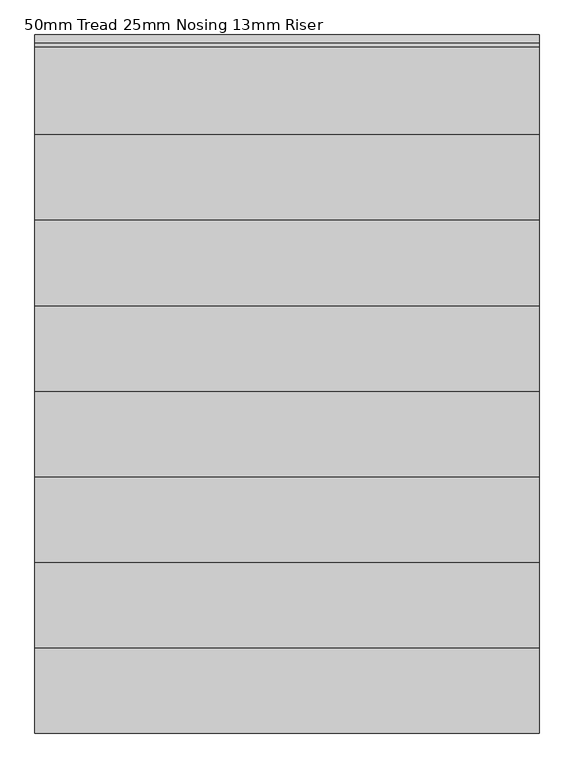
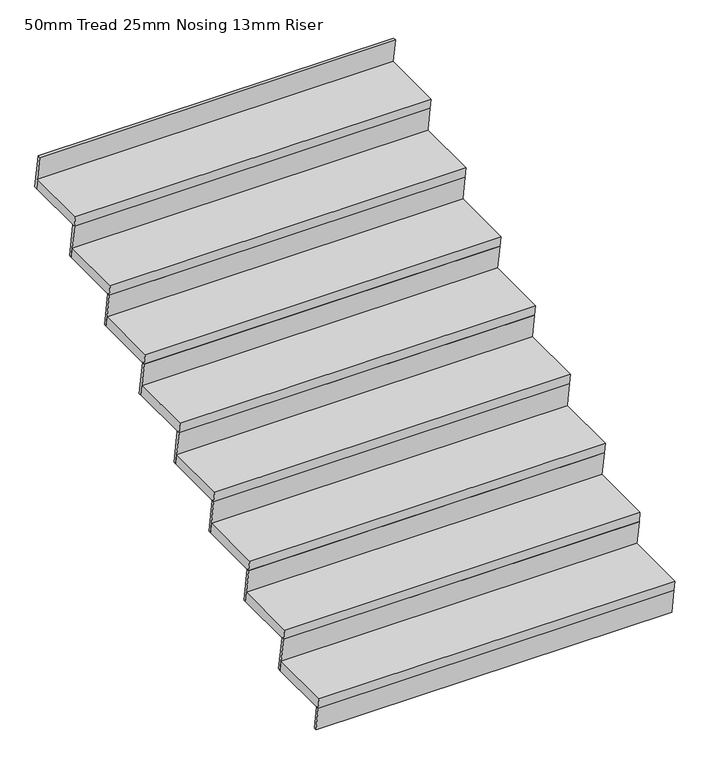
"""IFC4 building model written with IfcOpenShell, lengths in millimetres: stair flight geometry, 50mm Tread 25mm Nosing 13mm Riser."""

from ifc_helpers import new_model, si_unit, frame, origin, place, context, project, spatial, polyline, outline, extrude, source, transform, mapped, element, save


def stair_flight_50mm_tread_25mm_nosing_13mm_riser_9228cee1(model_context):
    return source(origin(), model_context, "Body", "SweptSolid", [
        extrude(outline(polyline([(-85.4291537, 7202.8555841), (214.5708463, 7202.8555841), (222.1532404, 7152.8555841), (-77.8467596, 7152.8555841), (-85.4291537, 7202.8555841)])), frame((-27284.7195293, 0.0, 0.0), z_axis=(1.0, 0.0, 0.0), x_axis=(0.0, 1.0, 0.0)), (0.0, 0.0, 1.0), 1621.3620262),
        extrude(outline(polyline([(-77.8467596, 7152.8555841), (-65.2038448, 7152.8555841), (-47.7862389, 7038.0), (-60.4291537, 7038.0), (-77.8467596, 7152.8555841)])), frame((-27284.7195293, 0.0, 0.0), z_axis=(1.0, 0.0, 0.0), x_axis=(0.0, 1.0, 0.0)), (0.0, 0.0, 1.0), 1621.3620262),
        extrude(outline(polyline([(197.1532404, 7317.7111682), (209.7961552, 7317.7111682), (234.7961552, 7152.8555841), (222.1532404, 7152.8555841), (197.1532404, 7317.7111682)])), frame((-27284.7195293, 0.0, 0.0), z_axis=(1.0, 0.0, 0.0), x_axis=(0.0, 1.0, 0.0)), (0.0, 0.0, 1.0), 1621.3620262),
        extrude(outline(polyline([(189.5708463, 7367.7111682), (489.5708463, 7367.7111682), (497.1532404, 7317.7111682), (197.1532404, 7317.7111682), (189.5708463, 7367.7111682)])), frame((-27284.7195293, 0.0, 0.0), z_axis=(1.0, 0.0, 0.0), x_axis=(0.0, 1.0, 0.0)), (0.0, 0.0, 1.0), 1621.3620262),
        extrude(outline(polyline([(472.1532404, 7482.5667523), (484.7961552, 7482.5667523), (509.7961552, 7317.7111682), (497.1532404, 7317.7111682), (472.1532404, 7482.5667523)])), frame((-27284.7195293, 0.0, 0.0), z_axis=(1.0, 0.0, 0.0), x_axis=(0.0, 1.0, 0.0)), (0.0, 0.0, 1.0), 1621.3620262),
        extrude(outline(polyline([(464.5708463, 7532.5667523), (764.5708463, 7532.5667523), (772.1532404, 7482.5667523), (472.1532404, 7482.5667523), (464.5708463, 7532.5667523)])), frame((-27284.7195293, 0.0, 0.0), z_axis=(1.0, 0.0, 0.0), x_axis=(0.0, 1.0, 0.0)), (0.0, 0.0, 1.0), 1621.3620262),
        extrude(outline(polyline([(747.1532404, 7647.4223364), (759.7961552, 7647.4223364), (784.7961552, 7482.5667523), (772.1532404, 7482.5667523), (747.1532404, 7647.4223364)])), frame((-27284.7195293, 0.0, 0.0), z_axis=(1.0, 0.0, 0.0), x_axis=(0.0, 1.0, 0.0)), (0.0, 0.0, 1.0), 1621.3620262),
        extrude(outline(polyline([(739.5708463, 7697.4223364), (1039.5708463, 7697.4223364), (1047.1532404, 7647.4223364), (747.1532404, 7647.4223364), (739.5708463, 7697.4223364)])), frame((-27284.7195293, 0.0, 0.0), z_axis=(1.0, 0.0, 0.0), x_axis=(0.0, 1.0, 0.0)), (0.0, 0.0, 1.0), 1621.3620262),
        extrude(outline(polyline([(1022.1532404, 7812.2779205), (1034.7961552, 7812.2779205), (1059.7961552, 7647.4223364), (1047.1532404, 7647.4223364), (1022.1532404, 7812.2779205)])), frame((-27284.7195293, 0.0, 0.0), z_axis=(1.0, 0.0, 0.0), x_axis=(0.0, 1.0, 0.0)), (0.0, 0.0, 1.0), 1621.3620262),
        extrude(outline(polyline([(1014.5708463, 7862.2779205), (1314.5708463, 7862.2779205), (1322.1532404, 7812.2779205), (1022.1532404, 7812.2779205), (1014.5708463, 7862.2779205)])), frame((-27284.7195293, 0.0, 0.0), z_axis=(1.0, 0.0, 0.0), x_axis=(0.0, 1.0, 0.0)), (0.0, 0.0, 1.0), 1621.3620262),
        extrude(outline(polyline([(1297.1532404, 7977.1335046), (1309.7961552, 7977.1335046), (1334.7961552, 7812.2779205), (1322.1532404, 7812.2779205), (1297.1532404, 7977.1335046)])), frame((-27284.7195293, 0.0, 0.0), z_axis=(1.0, 0.0, 0.0), x_axis=(0.0, 1.0, 0.0)), (0.0, 0.0, 1.0), 1621.3620262),
        extrude(outline(polyline([(1289.5708463, 8027.1335046), (1589.5708463, 8027.1335046), (1597.1532404, 7977.1335046), (1297.1532404, 7977.1335046), (1289.5708463, 8027.1335046)])), frame((-27284.7195293, 0.0, 0.0), z_axis=(1.0, 0.0, 0.0), x_axis=(0.0, 1.0, 0.0)), (0.0, 0.0, 1.0), 1621.3620262),
        extrude(outline(polyline([(1572.1532404, 8141.9890887), (1584.7961552, 8141.9890887), (1609.7961552, 7977.1335046), (1597.1532404, 7977.1335046), (1572.1532404, 8141.9890887)])), frame((-27284.7195293, 0.0, 0.0), z_axis=(1.0, 0.0, 0.0), x_axis=(0.0, 1.0, 0.0)), (0.0, 0.0, 1.0), 1621.3620262),
        extrude(outline(polyline([(1564.5708463, 8191.9890887), (1864.5708463, 8191.9890887), (1872.1532404, 8141.9890887), (1572.1532404, 8141.9890887), (1564.5708463, 8191.9890887)])), frame((-27284.7195293, 0.0, 0.0), z_axis=(1.0, 0.0, 0.0), x_axis=(0.0, 1.0, 0.0)), (0.0, 0.0, 1.0), 1621.3620262),
        extrude(outline(polyline([(1847.1532404, 8306.8446728), (1859.7961552, 8306.8446728), (1884.7961552, 8141.9890887), (1872.1532404, 8141.9890887), (1847.1532404, 8306.8446728)])), frame((-27284.7195293, 0.0, 0.0), z_axis=(1.0, 0.0, 0.0), x_axis=(0.0, 1.0, 0.0)), (0.0, 0.0, 1.0), 1621.3620262),
        extrude(outline(polyline([(2122.1532404, 8471.7002569), (2134.7961552, 8471.7002569), (2159.7961552, 8306.8446728), (2147.1532404, 8306.8446728), (2122.1532404, 8471.7002569)])), frame((-27284.7195293, 0.0, 0.0), z_axis=(1.0, 0.0, 0.0), x_axis=(0.0, 1.0, 0.0)), (0.0, 0.0, 1.0), 1621.3620262),
        extrude(outline(polyline([(1839.5708463, 8356.8446728), (2139.5708463, 8356.8446728), (2147.1532404, 8306.8446728), (1847.1532404, 8306.8446728), (1839.5708463, 8356.8446728)])), frame((-27284.7195293, 0.0, 0.0), z_axis=(1.0, 0.0, 0.0), x_axis=(0.0, 1.0, 0.0)), (0.0, 0.0, 1.0), 1621.3620262),
    ])


if __name__ == "__main__":
    model = new_model("IFC4")
    model_context = context("Model", 3, world=origin())
    ifc_project = project(units=[si_unit("LENGTHUNIT", "METRE", prefix="MILLI")], contexts=[model_context])
    site = spatial("IfcSite", under=ifc_project)
    building = spatial("IfcBuilding", under=site)
    placement = place(None, origin())
    stair_flight_50mm_tread_25mm_nosing_13mm_riser_shape = stair_flight_50mm_tread_25mm_nosing_13mm_riser_9228cee1(model_context)
    element("IfcStairFlight", 1, ObjectType="50mm Tread 25mm Nosing 13mm Riser", at=placement, inside=building, context=model_context, shape_type="MappedRepresentation", body=[
        mapped(stair_flight_50mm_tread_25mm_nosing_13mm_riser_shape, transform((0.0, 0.0, 0.0), x_axis=(1.0, 0.0, 0.0), y_axis=(0.0, 1.0, 0.0), z_axis=(0.0, 0.0, 1.0))),
    ])
    save(model, "model.ifc")
